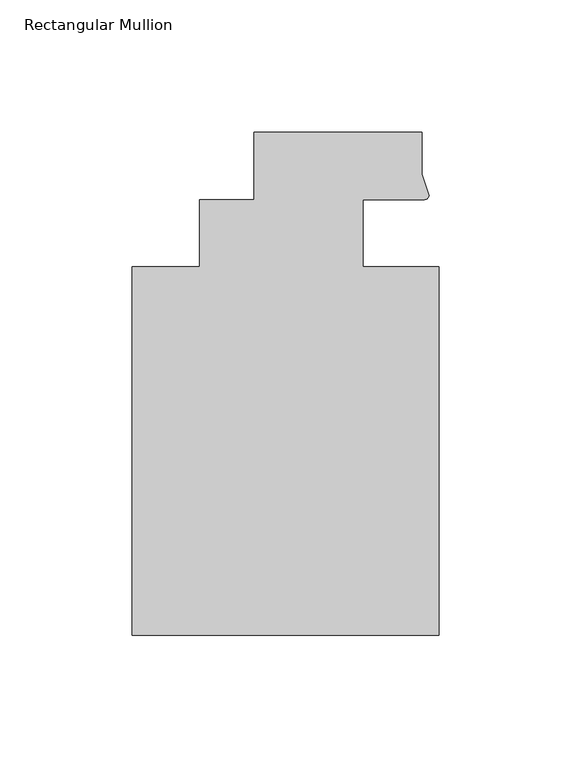
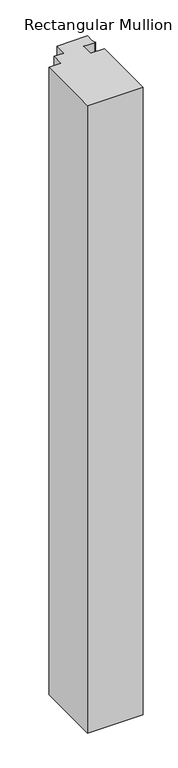
"""IFC4 building model written with IfcOpenShell, lengths in millimetres: member geometry, Rectangular Mullion."""

from ifc_helpers import new_model, si_unit, point, frame, frame_2d, origin, place, context, project, spatial, polyline, circle_curve, trimmed, segment, composite_curve, outline, extrude, source, transform, mapped, element, save


def rectangular_mullion_b4b28232(model_context):
    return source(origin(), model_context, "Body", "SweptSolid", [
        extrude(outline(composite_curve([segment(polyline([(48.2997293, 12.7000881), (25.0401592, 12.7000881), (25.0401592, -12.7), (53.615046, -12.7), (53.615046, -151.892), (-62.2957636, -151.892), (-62.2957636, -12.7), (-36.8958768, -12.7), (-36.8958768, 12.7), (-16.234954, 12.7), (-16.234954, 38.1), (47.265046, 38.1), (47.265046, 22.2250977), (49.9159011, 14.2884292)]), True, "CONTINUOUS"), segment(trimmed(circle_curve(frame_2d((48.2162832, 14.401412)), 1.703369), [point((49.9159011, 14.2884292))], [point((48.2997293, 12.7000881))], False, "CARTESIAN"), True, "CONTINUOUS")], self_intersect=False)), frame((0.0, 0.0, -1380.126542), z_axis=(0.0, 0.0, 1.0), x_axis=(1.0, 0.0, 0.0)), (0.0, 0.0, 1.0), 1380.126542),
    ])


if __name__ == "__main__":
    model = new_model("IFC4")
    model_context = context("Model", 3, world=origin())
    ifc_project = project(units=[si_unit("LENGTHUNIT", "METRE", prefix="MILLI")], contexts=[model_context])
    site = spatial("IfcSite", under=ifc_project)
    building = spatial("IfcBuilding", under=site)
    placement = place(None, origin())
    rectangular_mullion_shape = rectangular_mullion_b4b28232(model_context)
    element("IfcMember", 1, ObjectType="Rectangular Mullion", at=placement, inside=building, context=model_context, shape_type="MappedRepresentation", body=[
        mapped(rectangular_mullion_shape, transform((0.0, 0.0, 0.0), x_axis=(1.0, 0.0, 0.0), y_axis=(0.0, 1.0, 0.0), z_axis=(0.0, 0.0, 1.0))),
    ])
    save(model, "model.ifc")
